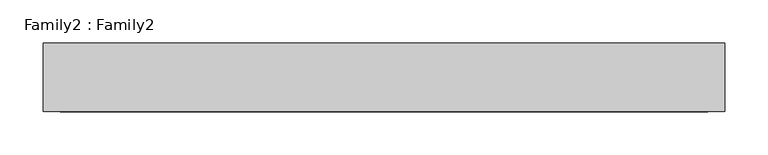
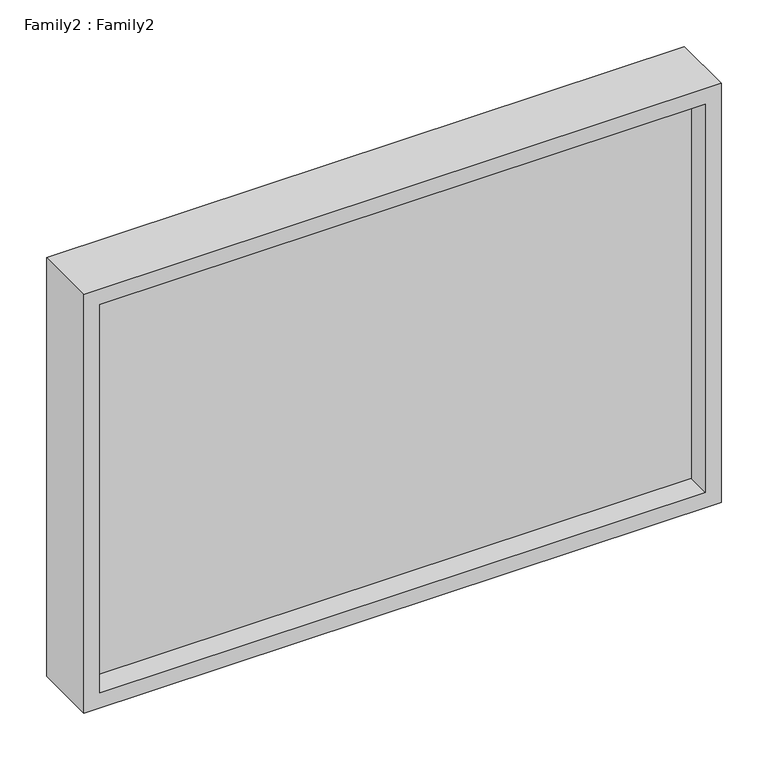
"""IFC4 building model written with IfcOpenShell, lengths in millimetres: plate geometry, Family2 : Family2."""

from ifc_helpers import new_model, si_unit, frame, origin, place, context, project, spatial, polyline, outline, extrude, source, transform, mapped, element, save


def family2_family2_94c67dcc(model_context):
    return source(origin(), model_context, "Body", "SweptSolid", [
        extrude(outline(polyline([(550.0, -395.8333333), (0.0, -395.8333333), (0.0, 395.8333333), (550.0, 395.8333333), (550.0, -395.8333333)]), holes=[polyline([(20.0, -375.8333333), (530.0, -375.8333333), (530.0, 375.8333333), (20.0, 375.8333333), (20.0, -375.8333333)])]), frame((0.0, -40.0, 0.0), z_axis=(0.0, 1.0, 0.0), x_axis=(0.0, 0.0, 1.0)), (0.0, 0.0, 1.0), 80.0),
        extrude(outline(polyline([(375.8333333, -10.0), (-375.8333333, -10.0), (-375.8333333, 10.0), (375.8333333, 10.0), (375.8333333, -10.0)])), frame((0.0, 0.0, 20.0), z_axis=(0.0, 0.0, 1.0), x_axis=(1.0, 0.0, 0.0)), (0.0, 0.0, 1.0), 510.0),
    ])


if __name__ == "__main__":
    model = new_model("IFC4")
    model_context = context("Model", 3, world=origin())
    ifc_project = project(units=[si_unit("LENGTHUNIT", "METRE", prefix="MILLI")], contexts=[model_context])
    site = spatial("IfcSite", under=ifc_project)
    building = spatial("IfcBuilding", under=site)
    placement = place(None, origin())
    family2_family2_shape = family2_family2_94c67dcc(model_context)
    element("IfcPlate", 1, ObjectType="Family2 : Family2", at=placement, inside=building, context=model_context, shape_type="MappedRepresentation", body=[
        mapped(family2_family2_shape, transform((0.0, 0.0, 0.0), x_axis=(1.0, 0.0, 0.0), y_axis=(0.0, 1.0, 0.0), z_axis=(0.0, 0.0, 1.0))),
    ])
    save(model, "model.ifc")
